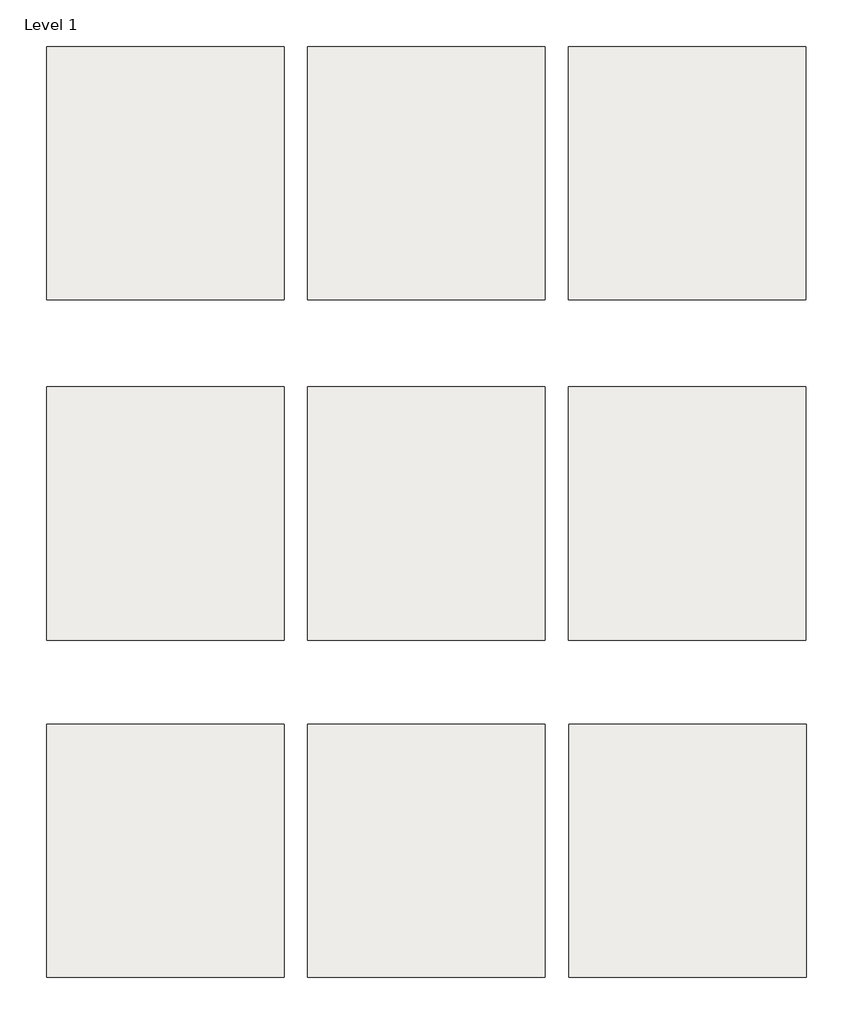
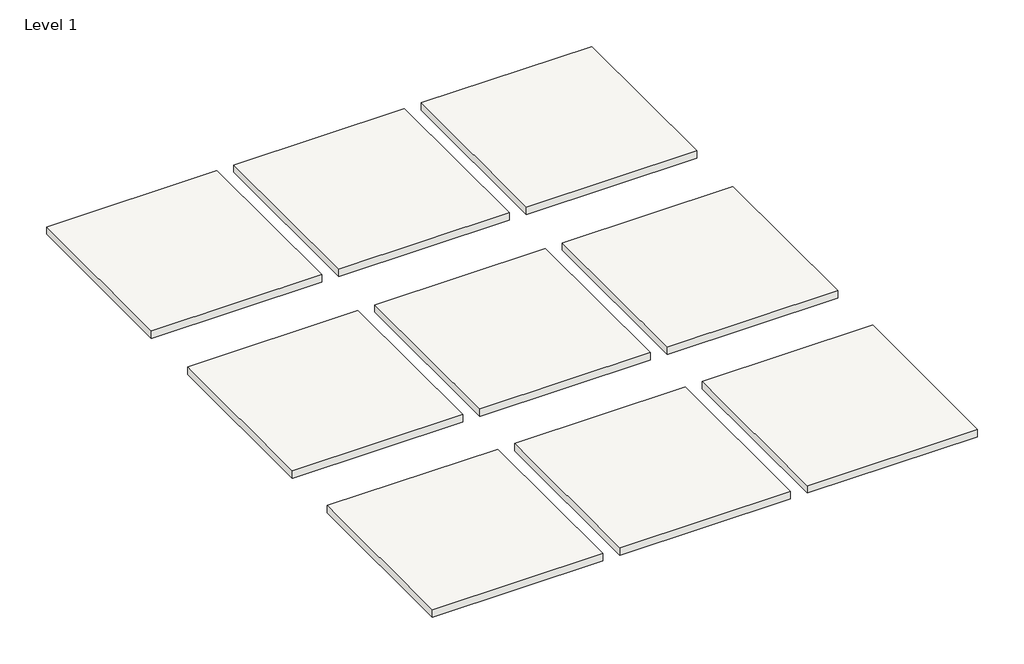
# One storey: 9 slabs.
"""IFC4 building model written with IfcOpenShell, lengths in millimetres."""

from ifc_helpers import new_model, si_unit, frame, origin, place, context, project, spatial, polyline, outline, extrude, element, save

model = new_model("IFC4")

# Units and contexts
model_context = context("Model", 3, world=origin())
ifc_project = project(units=[si_unit("LENGTHUNIT", "METRE", prefix="MILLI")], contexts=[model_context])

# Site, building, storey
site = spatial("IfcSite", under=ifc_project)
building = spatial("IfcBuilding", under=site)
storey = spatial("IfcBuildingStorey", under=building, Name="Level 1", Elevation=0.0)

# Slabs
placement = place(None, origin())
element("IfcSlab", 1, at=placement, inside=storey, context=model_context, shape_type="SweptSolid", body=[
    extrude(outline(polyline([(150.0704522, 5007.8971355), (150.0704522, 4601.4971355), (-230.9295478, 4601.4971355), (-230.9295478, 5007.8971355), (150.0704522, 5007.8971355)])), frame((0.0, 0.0, -17.4625), z_axis=(0.0, 0.0, 1.0), x_axis=(1.0, 0.0, 0.0)), (0.0, 0.0, 1.0), 17.4625),
])
element("IfcSlab", 2, at=placement, inside=storey, context=model_context, shape_type="SweptSolid", body=[
    extrude(outline(polyline([(-269.0295478, 5007.8971355), (-269.0295478, 4601.4971355), (-650.0295478, 4601.4971355), (-650.0295478, 5007.8971355), (-269.0295478, 5007.8971355)])), frame((0.0, 0.0, -17.4625), z_axis=(0.0, 0.0, 1.0), x_axis=(1.0, 0.0, 0.0)), (0.0, 0.0, 1.0), 17.4625),
])
element("IfcSlab", 3, at=placement, inside=storey, context=model_context, shape_type="SweptSolid", body=[
    extrude(outline(polyline([(-688.1295478, 5007.8971355), (-688.1295478, 4601.4971355), (-1069.1295478, 4601.4971355), (-1069.1295478, 5007.8971355), (-688.1295478, 5007.8971355)])), frame((0.0, 0.0, -17.4625), z_axis=(0.0, 0.0, 1.0), x_axis=(1.0, 0.0, 0.0)), (0.0, 0.0, 1.0), 17.4625),
])
element("IfcSlab", 4, at=placement, inside=storey, context=model_context, shape_type="SweptSolid", body=[
    extrude(outline(polyline([(-688.1295478, 5553.9971355), (-688.1295478, 5147.5971355), (-1069.1295478, 5147.5971355), (-1069.1295478, 5553.9971355), (-688.1295478, 5553.9971355)])), frame((0.0, 0.0, -17.4625), z_axis=(0.0, 0.0, 1.0), x_axis=(1.0, 0.0, 0.0)), (0.0, 0.0, 1.0), 17.4625),
])
element("IfcSlab", 5, at=placement, inside=storey, context=model_context, shape_type="SweptSolid", body=[
    extrude(outline(polyline([(-269.0295478, 5553.9971355), (-269.0295478, 5147.5971355), (-650.0295478, 5147.5971355), (-650.0295478, 5553.9971355), (-269.0295478, 5553.9971355)])), frame((0.0, 0.0, -17.4625), z_axis=(0.0, 0.0, 1.0), x_axis=(1.0, 0.0, 0.0)), (0.0, 0.0, 1.0), 17.4625),
])
element("IfcSlab", 6, at=placement, inside=storey, context=model_context, shape_type="SweptSolid", body=[
    extrude(outline(polyline([(150.0704522, 5553.9971355), (150.0704522, 5147.5971355), (-230.9295478, 5147.5971355), (-230.9295478, 5553.9971355), (150.0704522, 5553.9971355)])), frame((0.0, 0.0, -17.4625), z_axis=(0.0, 0.0, 1.0), x_axis=(1.0, 0.0, 0.0)), (0.0, 0.0, 1.0), 17.4625),
])
element("IfcSlab", 7, at=placement, inside=storey, context=model_context, shape_type="SweptSolid", body=[
    extrude(outline(polyline([(-688.0208273, 4466.8115859), (-688.0208273, 4060.4115859), (-1069.0208273, 4060.4115859), (-1069.0208273, 4466.8115859), (-688.0208273, 4466.8115859)])), frame((0.0, 0.0, -17.4625), z_axis=(0.0, 0.0, 1.0), x_axis=(1.0, 0.0, 0.0)), (0.0, 0.0, 1.0), 17.4625),
])
element("IfcSlab", 8, at=placement, inside=storey, context=model_context, shape_type="SweptSolid", body=[
    extrude(outline(polyline([(-268.9208273, 4466.8115859), (-268.9208273, 4060.4115859), (-649.9208273, 4060.4115859), (-649.9208273, 4466.8115859), (-268.9208273, 4466.8115859)])), frame((0.0, 0.0, -17.4625), z_axis=(0.0, 0.0, 1.0), x_axis=(1.0, 0.0, 0.0)), (0.0, 0.0, 1.0), 17.4625),
])
element("IfcSlab", 9, at=placement, inside=storey, context=model_context, shape_type="SweptSolid", body=[
    extrude(outline(polyline([(150.1791727, 4466.8115859), (150.1791727, 4060.4115859), (-230.8208273, 4060.4115859), (-230.8208273, 4466.8115859), (150.1791727, 4466.8115859)])), frame((0.0, 0.0, -17.4625), z_axis=(0.0, 0.0, 1.0), x_axis=(1.0, 0.0, 0.0)), (0.0, 0.0, 1.0), 17.4625),
])

save(model, "model.ifc")
